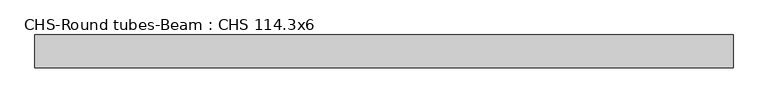
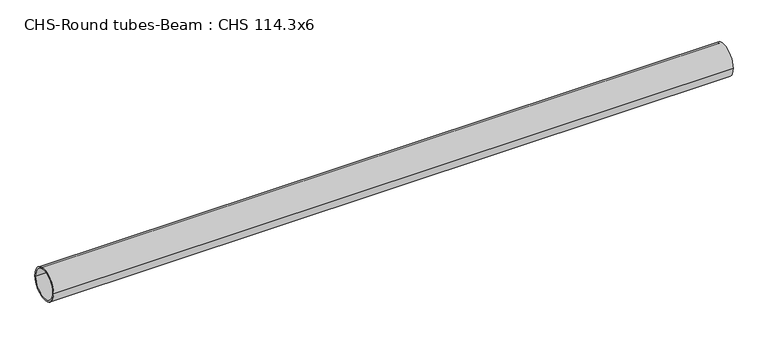
"""IFC4 building model written with IfcOpenShell, lengths in millimetres: beam geometry, CHS-Round tubes-Beam : CHS 114.3x6."""

from ifc_helpers import new_model, si_unit, point, frame, origin, origin_2d, place, context, project, spatial, circle_curve, trimmed, segment, composite_curve, outline, extrude, source, transform, mapped, element, save


def chs_round_tubes_beam_chs_114_3x6_f84c85b6(model_context):
    return source(origin(), model_context, "Body", "SweptSolid", [
        extrude(outline(composite_curve([segment(trimmed(circle_curve(origin_2d(), 57.15), [point((57.15, 0.0))], [point((-57.15, 0.0))], False, "CARTESIAN"), True, "CONTINUOUS"), segment(trimmed(circle_curve(origin_2d(), 57.15), [point((-57.15, 0.0))], [point((57.15, 0.0))], False, "CARTESIAN"), True, "CONTINUOUS")], self_intersect=False), holes=[composite_curve([segment(trimmed(circle_curve(origin_2d(), 51.15), [point((51.15, 0.0))], [point((-51.15, 0.0))], True, "CARTESIAN"), True, "CONTINUOUS"), segment(trimmed(circle_curve(origin_2d(), 51.15), [point((-51.15, 0.0))], [point((51.15, 0.0))], True, "CARTESIAN"), True, "CONTINUOUS")], self_intersect=False)]), frame((-1205.0822808, 0.0, 0.0), z_axis=(1.0, 0.0, 0.0), x_axis=(0.0, 1.0, 0.0)), (0.0, 0.0, 1.0), 2422.9395099),
    ])


if __name__ == "__main__":
    model = new_model("IFC4")
    model_context = context("Model", 3, world=origin())
    ifc_project = project(units=[si_unit("LENGTHUNIT", "METRE", prefix="MILLI")], contexts=[model_context])
    site = spatial("IfcSite", under=ifc_project)
    building = spatial("IfcBuilding", under=site)
    placement = place(None, origin())
    chs_round_tubes_beam_chs_114_3x6_shape = chs_round_tubes_beam_chs_114_3x6_f84c85b6(model_context)
    element("IfcBeam", 1, ObjectType="CHS-Round tubes-Beam : CHS 114.3x6", at=placement, inside=building, context=model_context, shape_type="MappedRepresentation", body=[
        mapped(chs_round_tubes_beam_chs_114_3x6_shape, transform((0.0, 0.0, 0.0), x_axis=(1.0, 0.0, 0.0), y_axis=(0.0, 1.0, 0.0), z_axis=(0.0, 0.0, 1.0))),
    ])
    save(model, "model.ifc")
